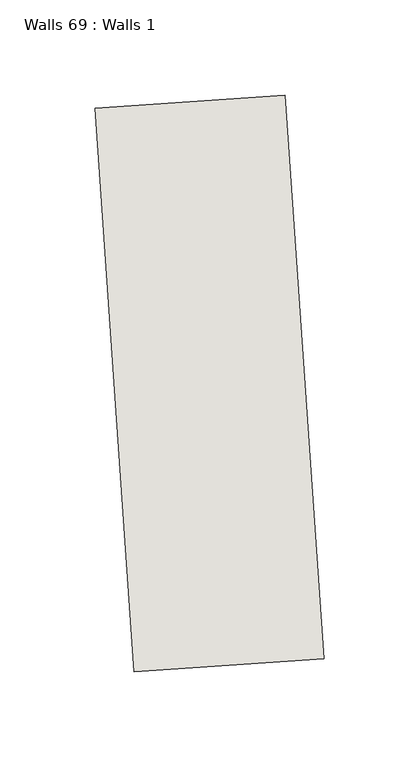
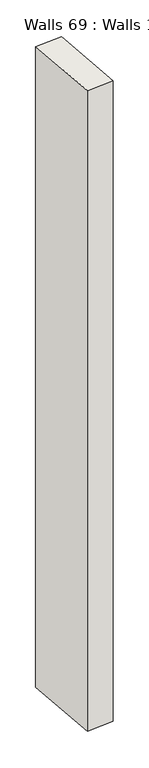
"""IFC4 building model written with IfcOpenShell, lengths in millimetres: wall geometry, Walls 69 : Walls 1."""

from ifc_helpers import new_model, si_unit, origin, origin_with_axes, place, context, project, spatial, polyline, outline, extrude, source, transform, mapped, element, save


def walls_69_walls_1_fea66dc7(model_context):
    return source(origin(), model_context, "Body", "SweptSolid", [
        extrude(outline(polyline([(4226.4010143, 1489.586598), (4205.850411, 1785.6028357), (4305.6102947, 1792.5285564), (4326.1608979, 1496.5123187), (4226.4010143, 1489.586598)])), origin_with_axes(), (0.0, 0.0, 1.0), 2513.8784646),
    ])


if __name__ == "__main__":
    model = new_model("IFC4")
    model_context = context("Model", 3, world=origin())
    ifc_project = project(units=[si_unit("LENGTHUNIT", "METRE", prefix="MILLI")], contexts=[model_context])
    site = spatial("IfcSite", under=ifc_project)
    building = spatial("IfcBuilding", under=site)
    placement = place(None, origin())
    walls_69_walls_1_shape = walls_69_walls_1_fea66dc7(model_context)
    element("IfcWall", 1, ObjectType="Walls 69 : Walls 1", at=placement, inside=building, context=model_context, shape_type="MappedRepresentation", body=[
        mapped(walls_69_walls_1_shape, transform((0.0, 0.0, 0.0), x_axis=(1.0, 0.0, 0.0), y_axis=(0.0, 1.0, 0.0), z_axis=(0.0, 0.0, 1.0))),
    ])
    save(model, "model.ifc")
